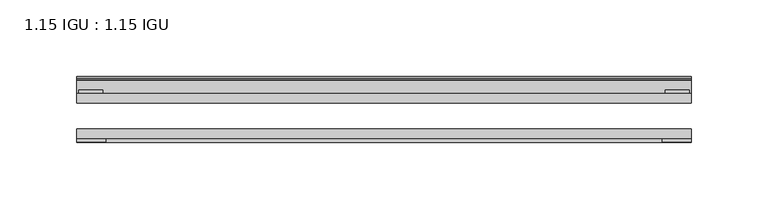
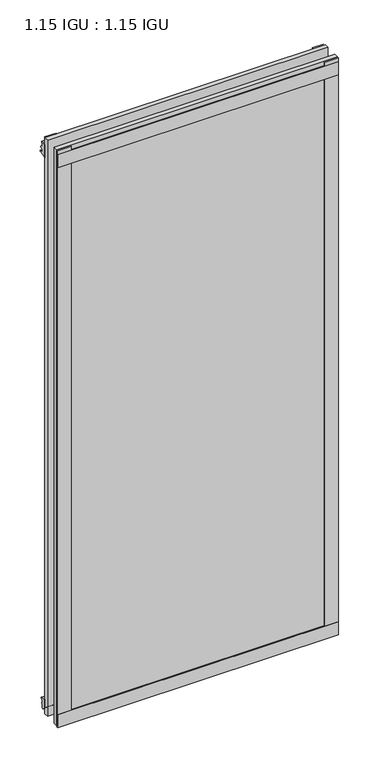
"""IFC4 building model written with IfcOpenShell, lengths in millimetres: plate geometry, 1.15 IGU : 1.15 IGU."""

import ifcopenshell
import ifcopenshell.guid

model = None  # the IFC model being written
_history = None  # IfcOwnerHistory: only IFC2X3 demands one
_inside = {}  # id of a spatial element -> (the spatial element, [elements in it])
_under = {}  # id of a project, library or spatial element -> (it, [spatial elements below it])
_declared = {}  # id of a project -> (the project, [libraries it declares])
_typed = {}  # id of a type object -> (the type object, [elements of that type])
_made_of = {}  # id of a material, layer set ... -> (it, [elements and type objects made of it])


def new_model(schema):
    """Start an empty IFC model of exactly this schema.

    Asked for "IFC4X3", IfcOpenShell would pick the latest addendum, in which some entities
    have other attributes; the version numbers below select the first issue.
    IFC2X3 requires an IfcOwnerHistory on every rooted entity: one is made here for all.
    """
    global model, _history
    if schema == "IFC4X3":
        model = ifcopenshell.file(schema_version=(4, 3, 0, 0))
    else:
        model = ifcopenshell.file(schema=schema)
    _inside.clear()
    _under.clear()
    _declared.clear()
    _typed.clear()
    _made_of.clear()
    _history = None
    if model.schema == "IFC2X3":
        org = make("IfcOrganization", Name="unknown")
        user = make(
            "IfcPersonAndOrganization",
            ThePerson=make("IfcPerson", FamilyName="unknown"),
            TheOrganization=org,
        )
        app = make(
            "IfcApplication",
            ApplicationDeveloper=org,
            Version="unknown",
            ApplicationFullName="unknown",
            ApplicationIdentifier="unknown",
        )
        _history = make(
            "IfcOwnerHistory",
            OwningUser=user,
            OwningApplication=app,
            ChangeAction="ADDED",
            CreationDate=0,
        )
    return model


def make(cls, **values):
    """One entity of the class cls with the attributes given. An attribute that is None is left unset."""
    return model.create_entity(
        cls, **{name: value for name, value in values.items() if value is not None}
    )


def rooted(cls, **values):
    """An entity with a GlobalId (a new one), such as an element, a storey or a relation."""
    return make(cls, GlobalId=ifcopenshell.guid.new(), OwnerHistory=_history, **values)


def si_unit(unit_type, name, prefix=None):
    """IfcSIUnit, for example si_unit("LENGTHUNIT", "METRE", prefix="MILLI")."""
    return make("IfcSIUnit", UnitType=unit_type, Prefix=prefix, Name=name)


def assignment(units):
    """IfcUnitAssignment: the units of a project."""
    return None if units is None else make("IfcUnitAssignment", Units=units)


def point(xyz):
    """IfcCartesianPoint."""
    return None if xyz is None else make("IfcCartesianPoint", Coordinates=xyz)


def direction(xyz):
    """IfcDirection."""
    return None if xyz is None else make("IfcDirection", DirectionRatios=xyz)


def frame(location, z_axis=None, x_axis=None):
    """IfcAxis2Placement3D, a coordinate frame: its origin and axes. An axis left out is left unset."""
    return make(
        "IfcAxis2Placement3D",
        Location=point(location),
        Axis=direction(z_axis),
        RefDirection=direction(x_axis),
    )


def frame_2d(location, x_axis=None):
    """IfcAxis2Placement2D, a coordinate frame in the plane: its origin and x axis."""
    return make(
        "IfcAxis2Placement2D", Location=point(location), RefDirection=direction(x_axis)
    )


def origin():
    """The frame at (0, 0, 0) with its axes left unset."""
    return frame((0.0, 0.0, 0.0))


def place(relative_to, where):
    """IfcLocalPlacement: puts the frame where relative to a parent placement (None: the world)."""
    return make(
        "IfcLocalPlacement", PlacementRelTo=relative_to, RelativePlacement=where
    )


def context(
    kind, dimensions, precision=None, world=None, true_north=None, identifier=None
):
    """IfcGeometricRepresentationContext, for example the 3D "Model" context."""
    return make(
        "IfcGeometricRepresentationContext",
        ContextIdentifier=identifier,
        ContextType=kind,
        CoordinateSpaceDimension=dimensions,
        Precision=precision,
        WorldCoordinateSystem=world,
        TrueNorth=true_north,
    )


def project(units=None, contexts=None):
    """IfcProject with its units and contexts."""
    return rooted(
        "IfcProject",
        Name="project",
        RepresentationContexts=contexts,
        UnitsInContext=assignment(units),
    )


def spatial(cls, under=None, at=None, **own):
    """A site, building, storey or space (cls), placed at a placement, below another one or the project."""
    s = rooted(cls, ObjectPlacement=at, **own)
    if under is not None:
        _under.setdefault(under.id(), (under, []))[1].append(s)
    return s


def polyline(points):
    """IfcPolyline through the points."""
    return make("IfcPolyline", Points=[point(p) for p in points])


def circle_curve(where, radius):
    """IfcCircle in the frame where."""
    return make("IfcCircle", Position=where, Radius=radius)


def trimmed(basis, trim1, trim2, sense, master):
    """IfcTrimmedCurve: the piece of a basis curve between two trims."""
    return make(
        "IfcTrimmedCurve",
        BasisCurve=basis,
        Trim1=trim1,
        Trim2=trim2,
        SenseAgreement=sense,
        MasterRepresentation=master,
    )


def segment(curve, same_sense, transition):
    """IfcCompositeCurveSegment."""
    return make(
        "IfcCompositeCurveSegment",
        Transition=transition,
        SameSense=same_sense,
        ParentCurve=curve,
    )


def composite_curve(segments, self_intersect=None):
    """IfcCompositeCurve: segments joined end to end."""
    return make("IfcCompositeCurve", Segments=segments, SelfIntersect=self_intersect)


def outline(outer, holes=None, kind="AREA"):
    """IfcArbitraryClosedProfileDef: a profile drawn as a closed curve; with holes, ...WithVoids."""
    if holes is None:
        return make("IfcArbitraryClosedProfileDef", ProfileType=kind, OuterCurve=outer)
    return make(
        "IfcArbitraryProfileDefWithVoids",
        ProfileType=kind,
        OuterCurve=outer,
        InnerCurves=holes,
    )


def extrude(swept, where, along, depth):
    """IfcExtrudedAreaSolid: the profile swept, set in the frame where, extruded along a direction by depth."""
    return make(
        "IfcExtrudedAreaSolid",
        SweptArea=swept,
        Position=where,
        ExtrudedDirection=direction(along),
        Depth=depth,
    )


def shape(context_of_items, identifier, shape_type, items):
    """IfcShapeRepresentation: the items that make up one representation, for example the "Body"."""
    return make(
        "IfcShapeRepresentation",
        ContextOfItems=context_of_items,
        RepresentationIdentifier=identifier,
        RepresentationType=shape_type,
        Items=items,
    )


def source(mapping_origin, context_of_items, identifier, shape_type, items):
    """IfcRepresentationMap: a shape defined once, which mapped items show again and again."""
    return make(
        "IfcRepresentationMap",
        MappingOrigin=mapping_origin,
        MappedRepresentation=shape(context_of_items, identifier, shape_type, items),
    )


def transform(
    local_origin,
    x_axis=None,
    y_axis=None,
    z_axis=None,
    scale=None,
    scale2=None,
    scale3=None,
    uniform=True,
):
    """IfcCartesianTransformationOperator3D, or its non-uniform kind. x_axis, y_axis, z_axis: its Axis1, 2, 3."""
    if uniform:
        return make(
            "IfcCartesianTransformationOperator3D",
            Axis1=direction(x_axis),
            Axis2=direction(y_axis),
            LocalOrigin=point(local_origin),
            Scale=scale,
            Axis3=direction(z_axis),
        )
    return make(
        "IfcCartesianTransformationOperator3DnonUniform",
        Axis1=direction(x_axis),
        Axis2=direction(y_axis),
        LocalOrigin=point(local_origin),
        Scale=scale,
        Axis3=direction(z_axis),
        Scale2=scale2,
        Scale3=scale3,
    )


def mapped(mapping_source, mapping_target):
    """IfcMappedItem: shows the shape of a source again, moved by a transform."""
    return make(
        "IfcMappedItem", MappingSource=mapping_source, MappingTarget=mapping_target
    )


def made_of(thing, what):
    """Note that an element or type object is made of a material, layer set ...; save() writes the relation."""
    if what is not None:
        _made_of.setdefault(what.id(), (what, []))[1].append(thing)
    return thing


def element(
    cls,
    number,
    at=None,
    inside=None,
    cuts=None,
    type_object=None,
    material=None,
    context=None,
    identifier="Body",
    shape_type=None,
    held_by="IfcProductDefinitionShape",
    body=None,
    shapes=None,
    **own,
):
    """One element of the class cls, such as IfcWall. Its Tag is "e" and its number.

    at: its placement. inside: the storey or other place that contains it. cuts: it is an
    opening in that element (IfcRelVoidsElement). A single representation is given by context,
    identifier, shape_type and body (its items); several are given by shapes. held_by: the class
    of the entity that holds the representations. save() writes the other relations.
    """
    e = rooted(cls, Tag="e%d" % number, ObjectPlacement=at, **own)
    if body is not None:
        shapes = [shape(context, identifier, shape_type, body)]
    if shapes is not None:
        e.Representation = make(held_by, Representations=shapes)
    if inside is not None:
        _inside.setdefault(inside.id(), (inside, []))[1].append(e)
    if cuts is not None:
        rooted(
            "IfcRelVoidsElement", RelatingBuildingElement=cuts, RelatedOpeningElement=e
        )
    if type_object is not None:
        _typed.setdefault(type_object.id(), (type_object, []))[1].append(e)
    return made_of(e, material)


def aggregate(whole, parts):
    """IfcRelAggregates: a whole, such as a stair, and the parts it consists of."""
    return rooted("IfcRelAggregates", RelatingObject=whole, RelatedObjects=parts)


def save(model, path):
    """Write the relations noted so far, then the file.

    IfcRelAggregates (storeys below a building ...), IfcRelContainedInSpatialStructure (elements
    in a storey), IfcRelDefinesByType, IfcRelAssociatesMaterial and IfcRelDeclares: one each for
    every whole, place, type object, material and project.
    """
    for whole, parts in _under.values():
        aggregate(whole, parts)
    for where, things in _inside.values():
        rooted(
            "IfcRelContainedInSpatialStructure",
            RelatedElements=things,
            RelatingStructure=where,
        )
    for kind, things in _typed.values():
        rooted("IfcRelDefinesByType", RelatedObjects=things, RelatingType=kind)
    for what, things in _made_of.values():
        rooted("IfcRelAssociatesMaterial", RelatedObjects=things, RelatingMaterial=what)
    for by, libraries in _declared.values():
        rooted("IfcRelDeclares", RelatingContext=by, RelatedDefinitions=libraries)
    model.write(path)


def plate_1_15_igu_1_15_igu_a630af76(model_context):
    return source(origin(), model_context, "Body", "SweptSolid", [
        extrude(outline(polyline([(200.2742375, 0.0), (200.2742375, -6.2992), (-200.2742375, -6.2992), (-200.2742375, 0.0), (200.2742375, 0.0)])), frame((0.0, 0.0, -17.4498), z_axis=(0.0, 0.0, 1.0), x_axis=(1.0, 0.0, 0.0)), (0.0, 0.0, 1.0), 868.3366072),
        extrude(outline(polyline([(-200.2742375, -23.1648), (200.2742375, -23.1648), (200.2742375, -29.464), (-200.2742375, -29.464), (-200.2742375, -23.1648)])), frame((0.0, 0.0, -17.4498), z_axis=(0.0, 0.0, 1.0), x_axis=(1.0, 0.0, 0.0)), (0.0, 0.0, 1.0), 868.3366072),
        extrude(outline(polyline([(-200.2742375, -31.75), (-200.2742375, -29.464), (200.2742375, -29.464), (200.2742375, -31.75), (-200.2742375, -31.75)])), frame((0.0, 0.0, -19.05), z_axis=(0.0, 0.0, 1.0), x_axis=(1.0, 0.0, 0.0)), (0.0, 0.0, 1.0), 19.05),
        extrude(outline(composite_curve([segment(trimmed(circle_curve(frame_2d((13.6593785, 32.4202472)), 31.3046461), [point((0.0, 4.2528503))], [point((9.3980339, 1.406995))], True, "CARTESIAN"), True, "CONTINUOUS"), segment(polyline([(9.3980339, 1.406995), (9.3980339, 0.0254), (6.35, 0.0254), (6.35, -5.1625788), (7.7309478, -5.3970663), (6.35, -8.0073788), (6.35, -11.8471127)]), True, "CONTINUOUS"), segment(trimmed(circle_curve(frame_2d((5.334, -11.8471127)), 1.016), [point((6.35, -11.8471127))], [point((4.6284878, -12.5782136))], False, "CARTESIAN"), True, "CONTINUOUS"), segment(trimmed(circle_curve(frame_2d((-23.3689302, -41.5910901)), 40.3187601), [point((4.6284878, -12.5782136))], [point((0.0, -8.735413))], True, "CARTESIAN"), True, "CONTINUOUS"), segment(polyline([(0.0, -8.735413), (0.0, 4.2528503)]), True, "CONTINUOUS")], self_intersect=False)), frame((-200.2742375, 0.0, 0.0), z_axis=(1.0, 0.0, 0.0), x_axis=(0.0, 1.0, 0.0)), (0.0, 0.0, 1.0), 400.548475),
        extrude(outline(composite_curve([segment(polyline([(8.509, 840.7300284), (8.509, 838.6980284), (6.35, 838.6980284), (6.35, 833.3640284), (8.9492698, 833.3640284)]), True, "CONTINUOUS"), segment(trimmed(circle_curve(frame_2d((8.208689, 831.8368072)), 1.697311), [point((8.9492698, 833.3640284))], [point((8.962411, 830.3160284))], False, "CARTESIAN"), True, "CONTINUOUS"), segment(polyline([(8.962411, 830.3160284), (6.35, 830.3160284), (6.35, 825.4868072), (11.1252, 825.4868072), (11.1252, 824.5978072)]), True, "CONTINUOUS"), segment(trimmed(circle_curve(frame_2d((10.1092, 824.5978072)), 1.016), [point((11.1252, 824.5978072))], [point((10.1092, 823.5818072))], False, "CARTESIAN"), True, "CONTINUOUS"), segment(trimmed(circle_curve(frame_2d((10.1092, 804.1707318)), 19.4110754), [point((10.1092, 823.5818072))], [point((0.0, 820.7416075))], True, "CARTESIAN"), True, "CONTINUOUS"), segment(polyline([(0.0, 820.7416075), (0.0, 840.7300284), (8.509, 840.7300284)]), True, "CONTINUOUS")], self_intersect=False)), frame((-200.2742375, 0.0, 0.0), z_axis=(1.0, 0.0, 0.0), x_axis=(0.0, 1.0, 0.0)), (0.0, 0.0, 1.0), 400.548475),
        extrude(outline(polyline([(-200.2742375, -31.75), (-200.2742375, -29.464), (200.2742375, -29.464), (200.2742375, -31.75), (-200.2742375, -31.75)])), frame((0.0, 0.0, 825.4868072), z_axis=(0.0, 0.0, 1.0), x_axis=(1.0, 0.0, 0.0)), (0.0, 0.0, 1.0), 19.05),
        extrude(outline(polyline([(181.2242375, -29.464), (200.2742375, -29.464), (200.2742375, -31.75), (181.2242375, -31.75), (181.2242375, -29.464)])), frame((0.0, 0.0, -17.4498), z_axis=(0.0, 0.0, 1.0), x_axis=(1.0, 0.0, 0.0)), (0.0, 0.0, 1.0), 868.3366072),
        extrude(outline(polyline([(199.0677375, 2.2860088), (199.0677375, 0.0021347), (183.1927375, 0.0021347), (183.1927375, 2.2860088), (199.0677375, 2.2860088)])), frame((0.0, 0.0, -17.4498), z_axis=(0.0, 0.0, 1.0), x_axis=(1.0, 0.0, 0.0)), (0.0, 0.0, 1.0), 868.3366072),
        extrude(outline(polyline([(-200.2742375, -31.75), (-200.2742375, -29.464), (-181.2242375, -29.464), (-181.2242375, -31.75), (-200.2742375, -31.75)])), frame((0.0, 0.0, -17.4498), z_axis=(0.0, 0.0, 1.0), x_axis=(1.0, 0.0, 0.0)), (0.0, 0.0, 1.0), 868.3366072),
        extrude(outline(polyline([(-199.0677375, 0.0), (-199.0677375, 2.286), (-183.1927375, 2.286), (-183.1927375, 0.0), (-199.0677375, 0.0)])), frame((0.0, 0.0, -17.4498), z_axis=(0.0, 0.0, 1.0), x_axis=(1.0, 0.0, 0.0)), (0.0, 0.0, 1.0), 868.3366072),
    ])


if __name__ == "__main__":
    model = new_model("IFC4")
    model_context = context("Model", 3, world=origin())
    ifc_project = project(units=[si_unit("LENGTHUNIT", "METRE", prefix="MILLI")], contexts=[model_context])
    site = spatial("IfcSite", under=ifc_project)
    building = spatial("IfcBuilding", under=site)
    placement = place(None, origin())
    plate_1_15_igu_1_15_igu_shape = plate_1_15_igu_1_15_igu_a630af76(model_context)
    element("IfcPlate", 1, ObjectType="1.15 IGU : 1.15 IGU", at=placement, inside=building, context=model_context, shape_type="MappedRepresentation", body=[
        mapped(plate_1_15_igu_1_15_igu_shape, transform((0.0, 0.0, 0.0), x_axis=(1.0, 0.0, 0.0), y_axis=(0.0, 1.0, 0.0), z_axis=(0.0, 0.0, 1.0))),
    ])
    save(model, "model.ifc")
